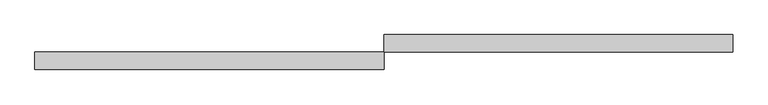
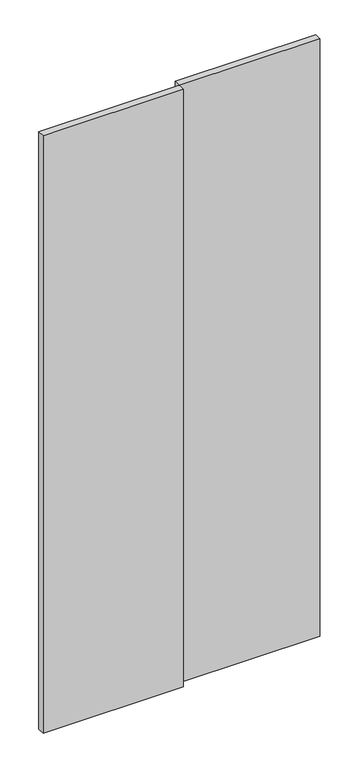
"""IFC4 building model written with IfcOpenShell, lengths in millimetres: proxy geometry."""

from ifc_helpers import new_model, si_unit, frame, origin, place, context, project, spatial, polyline, outline, extrude, source, transform, mapped, element, save


def specialty_equipment_b4f85b9c(model_context):
    return source(origin(), model_context, "Body", "SweptSolid", [
        extrude(outline(polyline([(500.0, 265.3026056), (500.0, 240.3026056), (0.0, 240.3026056), (0.0, 265.3026056), (500.0, 265.3026056)])), frame((0.0, 0.0, -120.0), z_axis=(0.0, 0.0, 1.0), x_axis=(1.0, 0.0, 0.0)), (0.0, 0.0, 1.0), 2250.0),
        extrude(outline(polyline([(0.0, 240.3026056), (0.0, 215.3026056), (-500.0, 215.3026056), (-500.0, 240.3026056), (0.0, 240.3026056)])), frame((0.0, 0.0, -120.0), z_axis=(0.0, 0.0, 1.0), x_axis=(1.0, 0.0, 0.0)), (0.0, 0.0, 1.0), 2250.0),
    ])


if __name__ == "__main__":
    model = new_model("IFC4")
    model_context = context("Model", 3, world=origin())
    ifc_project = project(units=[si_unit("LENGTHUNIT", "METRE", prefix="MILLI")], contexts=[model_context])
    site = spatial("IfcSite", under=ifc_project)
    building = spatial("IfcBuilding", under=site)
    placement = place(None, origin())
    specialty_equipment_shape = specialty_equipment_b4f85b9c(model_context)
    element("IfcBuildingElementProxy", 1, Name="Specialty Equipment", at=placement, inside=building, context=model_context, shape_type="MappedRepresentation", body=[
        mapped(specialty_equipment_shape, transform((0.0, 0.0, 0.0), x_axis=(1.0, 0.0, 0.0), y_axis=(0.0, 1.0, 0.0), z_axis=(0.0, 0.0, 1.0))),
    ])
    save(model, "model.ifc")
